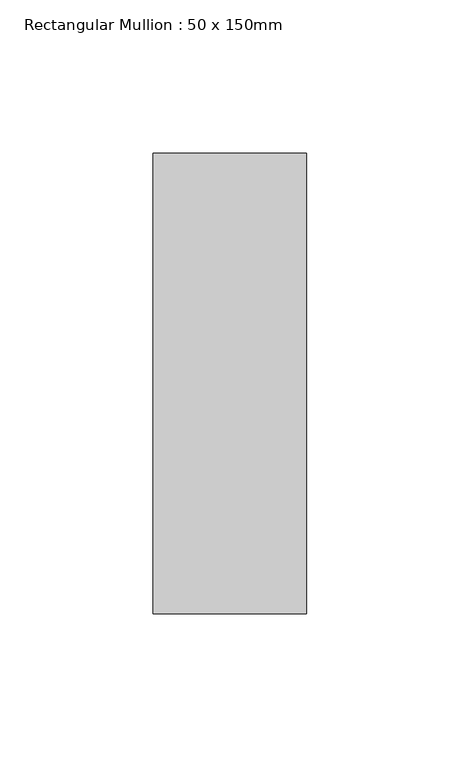
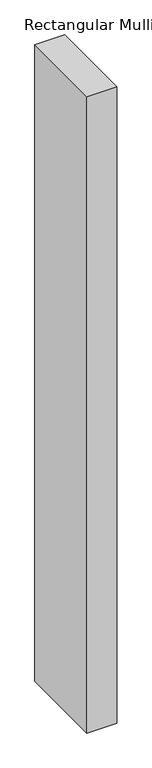
"""IFC4 building model written with IfcOpenShell, lengths in millimetres: member geometry, Rectangular Mullion : 50 x 150mm."""

from ifc_helpers import new_model, si_unit, frame, origin, place, context, project, spatial, polyline, outline, extrude, source, transform, mapped, element, save


def rectangular_mullion_50_x_150mm_c634568b(model_context):
    return source(origin(), model_context, "Body", "SweptSolid", [
        extrude(outline(polyline([(25.0, 75.0), (25.0, -75.0), (-25.0, -75.0), (-25.0, 75.0), (25.0, 75.0)])), frame((0.0, 0.0, -1120.0), z_axis=(0.0, 0.0, 1.0), x_axis=(1.0, 0.0, 0.0)), (0.0, 0.0, 1.0), 1120.0),
    ])


if __name__ == "__main__":
    model = new_model("IFC4")
    model_context = context("Model", 3, world=origin())
    ifc_project = project(units=[si_unit("LENGTHUNIT", "METRE", prefix="MILLI")], contexts=[model_context])
    site = spatial("IfcSite", under=ifc_project)
    building = spatial("IfcBuilding", under=site)
    placement = place(None, origin())
    rectangular_mullion_50_x_150mm_shape = rectangular_mullion_50_x_150mm_c634568b(model_context)
    element("IfcMember", 1, ObjectType="Rectangular Mullion : 50 x 150mm", at=placement, inside=building, context=model_context, shape_type="MappedRepresentation", body=[
        mapped(rectangular_mullion_50_x_150mm_shape, transform((0.0, 0.0, 0.0), x_axis=(1.0, 0.0, 0.0), y_axis=(0.0, 1.0, 0.0), z_axis=(0.0, 0.0, 1.0))),
    ])
    save(model, "model.ifc")
